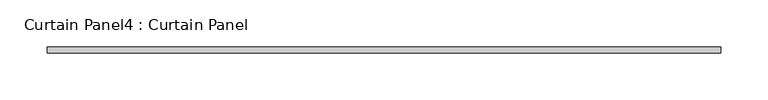
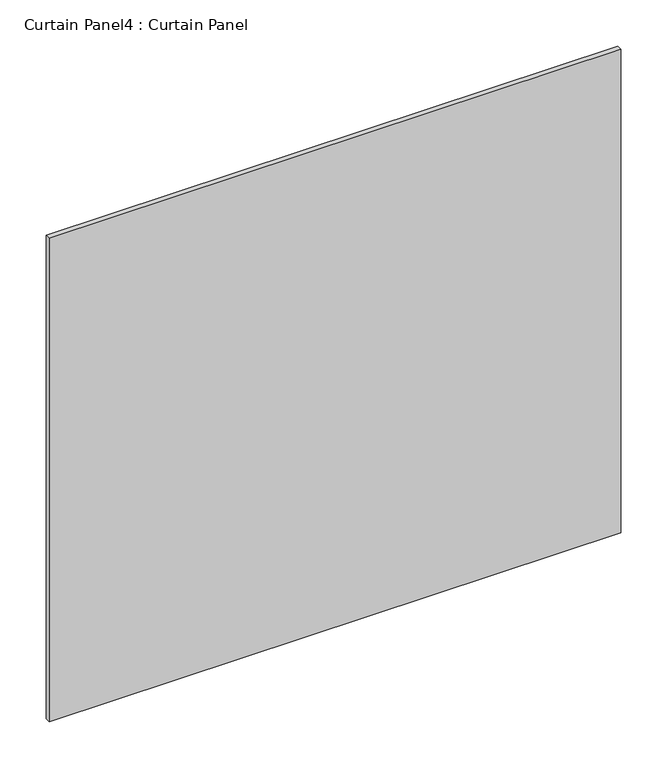
"""IFC4 building model written with IfcOpenShell, lengths in millimetres: plate geometry, Curtain Panel4 : Curtain Panel."""

import ifcopenshell
import ifcopenshell.guid

model = None  # the IFC model being written
_history = None  # IfcOwnerHistory: only IFC2X3 demands one
_inside = {}  # id of a spatial element -> (the spatial element, [elements in it])
_under = {}  # id of a project, library or spatial element -> (it, [spatial elements below it])
_declared = {}  # id of a project -> (the project, [libraries it declares])
_typed = {}  # id of a type object -> (the type object, [elements of that type])
_made_of = {}  # id of a material, layer set ... -> (it, [elements and type objects made of it])


def new_model(schema):
    """Start an empty IFC model of exactly this schema.

    Asked for "IFC4X3", IfcOpenShell would pick the latest addendum, in which some entities
    have other attributes; the version numbers below select the first issue.
    IFC2X3 requires an IfcOwnerHistory on every rooted entity: one is made here for all.
    """
    global model, _history
    if schema == "IFC4X3":
        model = ifcopenshell.file(schema_version=(4, 3, 0, 0))
    else:
        model = ifcopenshell.file(schema=schema)
    _inside.clear()
    _under.clear()
    _declared.clear()
    _typed.clear()
    _made_of.clear()
    _history = None
    if model.schema == "IFC2X3":
        org = make("IfcOrganization", Name="unknown")
        user = make(
            "IfcPersonAndOrganization",
            ThePerson=make("IfcPerson", FamilyName="unknown"),
            TheOrganization=org,
        )
        app = make(
            "IfcApplication",
            ApplicationDeveloper=org,
            Version="unknown",
            ApplicationFullName="unknown",
            ApplicationIdentifier="unknown",
        )
        _history = make(
            "IfcOwnerHistory",
            OwningUser=user,
            OwningApplication=app,
            ChangeAction="ADDED",
            CreationDate=0,
        )
    return model


def make(cls, **values):
    """One entity of the class cls with the attributes given. An attribute that is None is left unset."""
    return model.create_entity(
        cls, **{name: value for name, value in values.items() if value is not None}
    )


def rooted(cls, **values):
    """An entity with a GlobalId (a new one), such as an element, a storey or a relation."""
    return make(cls, GlobalId=ifcopenshell.guid.new(), OwnerHistory=_history, **values)


def si_unit(unit_type, name, prefix=None):
    """IfcSIUnit, for example si_unit("LENGTHUNIT", "METRE", prefix="MILLI")."""
    return make("IfcSIUnit", UnitType=unit_type, Prefix=prefix, Name=name)


def assignment(units):
    """IfcUnitAssignment: the units of a project."""
    return None if units is None else make("IfcUnitAssignment", Units=units)


def point(xyz):
    """IfcCartesianPoint."""
    return None if xyz is None else make("IfcCartesianPoint", Coordinates=xyz)


def direction(xyz):
    """IfcDirection."""
    return None if xyz is None else make("IfcDirection", DirectionRatios=xyz)


def frame(location, z_axis=None, x_axis=None):
    """IfcAxis2Placement3D, a coordinate frame: its origin and axes. An axis left out is left unset."""
    return make(
        "IfcAxis2Placement3D",
        Location=point(location),
        Axis=direction(z_axis),
        RefDirection=direction(x_axis),
    )


def origin():
    """The frame at (0, 0, 0) with its axes left unset."""
    return frame((0.0, 0.0, 0.0))


def place(relative_to, where):
    """IfcLocalPlacement: puts the frame where relative to a parent placement (None: the world)."""
    return make(
        "IfcLocalPlacement", PlacementRelTo=relative_to, RelativePlacement=where
    )


def context(
    kind, dimensions, precision=None, world=None, true_north=None, identifier=None
):
    """IfcGeometricRepresentationContext, for example the 3D "Model" context."""
    return make(
        "IfcGeometricRepresentationContext",
        ContextIdentifier=identifier,
        ContextType=kind,
        CoordinateSpaceDimension=dimensions,
        Precision=precision,
        WorldCoordinateSystem=world,
        TrueNorth=true_north,
    )


def project(units=None, contexts=None):
    """IfcProject with its units and contexts."""
    return rooted(
        "IfcProject",
        Name="project",
        RepresentationContexts=contexts,
        UnitsInContext=assignment(units),
    )


def spatial(cls, under=None, at=None, **own):
    """A site, building, storey or space (cls), placed at a placement, below another one or the project."""
    s = rooted(cls, ObjectPlacement=at, **own)
    if under is not None:
        _under.setdefault(under.id(), (under, []))[1].append(s)
    return s


def polyline(points):
    """IfcPolyline through the points."""
    return make("IfcPolyline", Points=[point(p) for p in points])


def outline(outer, holes=None, kind="AREA"):
    """IfcArbitraryClosedProfileDef: a profile drawn as a closed curve; with holes, ...WithVoids."""
    if holes is None:
        return make("IfcArbitraryClosedProfileDef", ProfileType=kind, OuterCurve=outer)
    return make(
        "IfcArbitraryProfileDefWithVoids",
        ProfileType=kind,
        OuterCurve=outer,
        InnerCurves=holes,
    )


def extrude(swept, where, along, depth):
    """IfcExtrudedAreaSolid: the profile swept, set in the frame where, extruded along a direction by depth."""
    return make(
        "IfcExtrudedAreaSolid",
        SweptArea=swept,
        Position=where,
        ExtrudedDirection=direction(along),
        Depth=depth,
    )


def shape(context_of_items, identifier, shape_type, items):
    """IfcShapeRepresentation: the items that make up one representation, for example the "Body"."""
    return make(
        "IfcShapeRepresentation",
        ContextOfItems=context_of_items,
        RepresentationIdentifier=identifier,
        RepresentationType=shape_type,
        Items=items,
    )


def source(mapping_origin, context_of_items, identifier, shape_type, items):
    """IfcRepresentationMap: a shape defined once, which mapped items show again and again."""
    return make(
        "IfcRepresentationMap",
        MappingOrigin=mapping_origin,
        MappedRepresentation=shape(context_of_items, identifier, shape_type, items),
    )


def transform(
    local_origin,
    x_axis=None,
    y_axis=None,
    z_axis=None,
    scale=None,
    scale2=None,
    scale3=None,
    uniform=True,
):
    """IfcCartesianTransformationOperator3D, or its non-uniform kind. x_axis, y_axis, z_axis: its Axis1, 2, 3."""
    if uniform:
        return make(
            "IfcCartesianTransformationOperator3D",
            Axis1=direction(x_axis),
            Axis2=direction(y_axis),
            LocalOrigin=point(local_origin),
            Scale=scale,
            Axis3=direction(z_axis),
        )
    return make(
        "IfcCartesianTransformationOperator3DnonUniform",
        Axis1=direction(x_axis),
        Axis2=direction(y_axis),
        LocalOrigin=point(local_origin),
        Scale=scale,
        Axis3=direction(z_axis),
        Scale2=scale2,
        Scale3=scale3,
    )


def mapped(mapping_source, mapping_target):
    """IfcMappedItem: shows the shape of a source again, moved by a transform."""
    return make(
        "IfcMappedItem", MappingSource=mapping_source, MappingTarget=mapping_target
    )


def made_of(thing, what):
    """Note that an element or type object is made of a material, layer set ...; save() writes the relation."""
    if what is not None:
        _made_of.setdefault(what.id(), (what, []))[1].append(thing)
    return thing


def element(
    cls,
    number,
    at=None,
    inside=None,
    cuts=None,
    type_object=None,
    material=None,
    context=None,
    identifier="Body",
    shape_type=None,
    held_by="IfcProductDefinitionShape",
    body=None,
    shapes=None,
    **own,
):
    """One element of the class cls, such as IfcWall. Its Tag is "e" and its number.

    at: its placement. inside: the storey or other place that contains it. cuts: it is an
    opening in that element (IfcRelVoidsElement). A single representation is given by context,
    identifier, shape_type and body (its items); several are given by shapes. held_by: the class
    of the entity that holds the representations. save() writes the other relations.
    """
    e = rooted(cls, Tag="e%d" % number, ObjectPlacement=at, **own)
    if body is not None:
        shapes = [shape(context, identifier, shape_type, body)]
    if shapes is not None:
        e.Representation = make(held_by, Representations=shapes)
    if inside is not None:
        _inside.setdefault(inside.id(), (inside, []))[1].append(e)
    if cuts is not None:
        rooted(
            "IfcRelVoidsElement", RelatingBuildingElement=cuts, RelatedOpeningElement=e
        )
    if type_object is not None:
        _typed.setdefault(type_object.id(), (type_object, []))[1].append(e)
    return made_of(e, material)


def aggregate(whole, parts):
    """IfcRelAggregates: a whole, such as a stair, and the parts it consists of."""
    return rooted("IfcRelAggregates", RelatingObject=whole, RelatedObjects=parts)


def save(model, path):
    """Write the relations noted so far, then the file.

    IfcRelAggregates (storeys below a building ...), IfcRelContainedInSpatialStructure (elements
    in a storey), IfcRelDefinesByType, IfcRelAssociatesMaterial and IfcRelDeclares: one each for
    every whole, place, type object, material and project.
    """
    for whole, parts in _under.values():
        aggregate(whole, parts)
    for where, things in _inside.values():
        rooted(
            "IfcRelContainedInSpatialStructure",
            RelatedElements=things,
            RelatingStructure=where,
        )
    for kind, things in _typed.values():
        rooted("IfcRelDefinesByType", RelatedObjects=things, RelatingType=kind)
    for what, things in _made_of.values():
        rooted("IfcRelAssociatesMaterial", RelatedObjects=things, RelatingMaterial=what)
    for by, libraries in _declared.values():
        rooted("IfcRelDeclares", RelatingContext=by, RelatedDefinitions=libraries)
    model.write(path)


def curtain_panel4_curtain_panel_82734fa6(model_context):
    return source(origin(), model_context, "Body", "SweptSolid", [
        extrude(outline(polyline([(4709.5292464, 3568.3617926), (3993.4122703, 3568.3617926), (3993.4122703, 3574.7117926), (4709.5292464, 3574.7117926), (4709.5292464, 3568.3617926)])), frame((0.0, 0.0, 683.15315), z_axis=(0.0, 0.0, 1.0), x_axis=(1.0, 0.0, 0.0)), (0.0, 0.0, 1.0), 640.1815584),
    ])


if __name__ == "__main__":
    model = new_model("IFC4")
    model_context = context("Model", 3, world=origin())
    ifc_project = project(units=[si_unit("LENGTHUNIT", "METRE", prefix="MILLI")], contexts=[model_context])
    site = spatial("IfcSite", under=ifc_project)
    building = spatial("IfcBuilding", under=site)
    placement = place(None, origin())
    curtain_panel4_curtain_panel_shape = curtain_panel4_curtain_panel_82734fa6(model_context)
    element("IfcPlate", 1, ObjectType="Curtain Panel4 : Curtain Panel", at=placement, inside=building, context=model_context, shape_type="MappedRepresentation", body=[
        mapped(curtain_panel4_curtain_panel_shape, transform((0.0, 0.0, 0.0), x_axis=(1.0, 0.0, 0.0), y_axis=(0.0, 1.0, 0.0), z_axis=(0.0, 0.0, 1.0))),
    ])
    save(model, "model.ifc")
